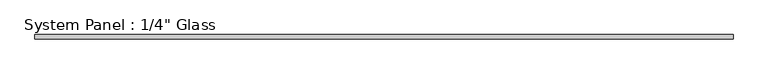
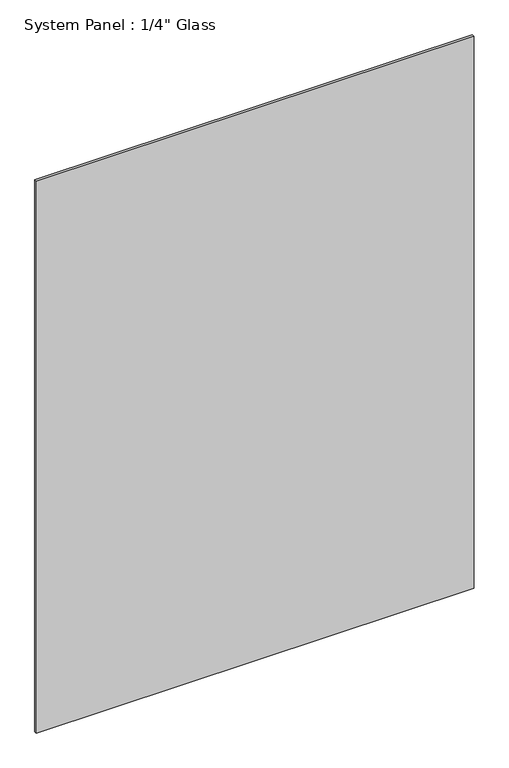
"""IFC4 building model written with IfcOpenShell, lengths in millimetres: plate geometry."""

import ifcopenshell
import ifcopenshell.guid

model = None  # the IFC model being written
_history = None  # IfcOwnerHistory: only IFC2X3 demands one
_inside = {}  # id of a spatial element -> (the spatial element, [elements in it])
_under = {}  # id of a project, library or spatial element -> (it, [spatial elements below it])
_declared = {}  # id of a project -> (the project, [libraries it declares])
_typed = {}  # id of a type object -> (the type object, [elements of that type])
_made_of = {}  # id of a material, layer set ... -> (it, [elements and type objects made of it])


def new_model(schema):
    """Start an empty IFC model of exactly this schema.

    Asked for "IFC4X3", IfcOpenShell would pick the latest addendum, in which some entities
    have other attributes; the version numbers below select the first issue.
    IFC2X3 requires an IfcOwnerHistory on every rooted entity: one is made here for all.
    """
    global model, _history
    if schema == "IFC4X3":
        model = ifcopenshell.file(schema_version=(4, 3, 0, 0))
    else:
        model = ifcopenshell.file(schema=schema)
    _inside.clear()
    _under.clear()
    _declared.clear()
    _typed.clear()
    _made_of.clear()
    _history = None
    if model.schema == "IFC2X3":
        org = make("IfcOrganization", Name="unknown")
        user = make(
            "IfcPersonAndOrganization",
            ThePerson=make("IfcPerson", FamilyName="unknown"),
            TheOrganization=org,
        )
        app = make(
            "IfcApplication",
            ApplicationDeveloper=org,
            Version="unknown",
            ApplicationFullName="unknown",
            ApplicationIdentifier="unknown",
        )
        _history = make(
            "IfcOwnerHistory",
            OwningUser=user,
            OwningApplication=app,
            ChangeAction="ADDED",
            CreationDate=0,
        )
    return model


def make(cls, **values):
    """One entity of the class cls with the attributes given. An attribute that is None is left unset."""
    return model.create_entity(
        cls, **{name: value for name, value in values.items() if value is not None}
    )


def rooted(cls, **values):
    """An entity with a GlobalId (a new one), such as an element, a storey or a relation."""
    return make(cls, GlobalId=ifcopenshell.guid.new(), OwnerHistory=_history, **values)


def si_unit(unit_type, name, prefix=None):
    """IfcSIUnit, for example si_unit("LENGTHUNIT", "METRE", prefix="MILLI")."""
    return make("IfcSIUnit", UnitType=unit_type, Prefix=prefix, Name=name)


def assignment(units):
    """IfcUnitAssignment: the units of a project."""
    return None if units is None else make("IfcUnitAssignment", Units=units)


def point(xyz):
    """IfcCartesianPoint."""
    return None if xyz is None else make("IfcCartesianPoint", Coordinates=xyz)


def direction(xyz):
    """IfcDirection."""
    return None if xyz is None else make("IfcDirection", DirectionRatios=xyz)


def frame(location, z_axis=None, x_axis=None):
    """IfcAxis2Placement3D, a coordinate frame: its origin and axes. An axis left out is left unset."""
    return make(
        "IfcAxis2Placement3D",
        Location=point(location),
        Axis=direction(z_axis),
        RefDirection=direction(x_axis),
    )


def origin():
    """The frame at (0, 0, 0) with its axes left unset."""
    return frame((0.0, 0.0, 0.0))


def origin_with_axes():
    """The frame at (0, 0, 0) with the z axis (0, 0, 1) and the x axis (1, 0, 0) written out."""
    return frame((0.0, 0.0, 0.0), z_axis=(0.0, 0.0, 1.0), x_axis=(1.0, 0.0, 0.0))


def place(relative_to, where):
    """IfcLocalPlacement: puts the frame where relative to a parent placement (None: the world)."""
    return make(
        "IfcLocalPlacement", PlacementRelTo=relative_to, RelativePlacement=where
    )


def context(
    kind, dimensions, precision=None, world=None, true_north=None, identifier=None
):
    """IfcGeometricRepresentationContext, for example the 3D "Model" context."""
    return make(
        "IfcGeometricRepresentationContext",
        ContextIdentifier=identifier,
        ContextType=kind,
        CoordinateSpaceDimension=dimensions,
        Precision=precision,
        WorldCoordinateSystem=world,
        TrueNorth=true_north,
    )


def project(units=None, contexts=None):
    """IfcProject with its units and contexts."""
    return rooted(
        "IfcProject",
        Name="project",
        RepresentationContexts=contexts,
        UnitsInContext=assignment(units),
    )


def spatial(cls, under=None, at=None, **own):
    """A site, building, storey or space (cls), placed at a placement, below another one or the project."""
    s = rooted(cls, ObjectPlacement=at, **own)
    if under is not None:
        _under.setdefault(under.id(), (under, []))[1].append(s)
    return s


def polyline(points):
    """IfcPolyline through the points."""
    return make("IfcPolyline", Points=[point(p) for p in points])


def outline(outer, holes=None, kind="AREA"):
    """IfcArbitraryClosedProfileDef: a profile drawn as a closed curve; with holes, ...WithVoids."""
    if holes is None:
        return make("IfcArbitraryClosedProfileDef", ProfileType=kind, OuterCurve=outer)
    return make(
        "IfcArbitraryProfileDefWithVoids",
        ProfileType=kind,
        OuterCurve=outer,
        InnerCurves=holes,
    )


def extrude(swept, where, along, depth):
    """IfcExtrudedAreaSolid: the profile swept, set in the frame where, extruded along a direction by depth."""
    return make(
        "IfcExtrudedAreaSolid",
        SweptArea=swept,
        Position=where,
        ExtrudedDirection=direction(along),
        Depth=depth,
    )


def shape(context_of_items, identifier, shape_type, items):
    """IfcShapeRepresentation: the items that make up one representation, for example the "Body"."""
    return make(
        "IfcShapeRepresentation",
        ContextOfItems=context_of_items,
        RepresentationIdentifier=identifier,
        RepresentationType=shape_type,
        Items=items,
    )


def source(mapping_origin, context_of_items, identifier, shape_type, items):
    """IfcRepresentationMap: a shape defined once, which mapped items show again and again."""
    return make(
        "IfcRepresentationMap",
        MappingOrigin=mapping_origin,
        MappedRepresentation=shape(context_of_items, identifier, shape_type, items),
    )


def transform(
    local_origin,
    x_axis=None,
    y_axis=None,
    z_axis=None,
    scale=None,
    scale2=None,
    scale3=None,
    uniform=True,
):
    """IfcCartesianTransformationOperator3D, or its non-uniform kind. x_axis, y_axis, z_axis: its Axis1, 2, 3."""
    if uniform:
        return make(
            "IfcCartesianTransformationOperator3D",
            Axis1=direction(x_axis),
            Axis2=direction(y_axis),
            LocalOrigin=point(local_origin),
            Scale=scale,
            Axis3=direction(z_axis),
        )
    return make(
        "IfcCartesianTransformationOperator3DnonUniform",
        Axis1=direction(x_axis),
        Axis2=direction(y_axis),
        LocalOrigin=point(local_origin),
        Scale=scale,
        Axis3=direction(z_axis),
        Scale2=scale2,
        Scale3=scale3,
    )


def mapped(mapping_source, mapping_target):
    """IfcMappedItem: shows the shape of a source again, moved by a transform."""
    return make(
        "IfcMappedItem", MappingSource=mapping_source, MappingTarget=mapping_target
    )


def made_of(thing, what):
    """Note that an element or type object is made of a material, layer set ...; save() writes the relation."""
    if what is not None:
        _made_of.setdefault(what.id(), (what, []))[1].append(thing)
    return thing


def element(
    cls,
    number,
    at=None,
    inside=None,
    cuts=None,
    type_object=None,
    material=None,
    context=None,
    identifier="Body",
    shape_type=None,
    held_by="IfcProductDefinitionShape",
    body=None,
    shapes=None,
    **own,
):
    """One element of the class cls, such as IfcWall. Its Tag is "e" and its number.

    at: its placement. inside: the storey or other place that contains it. cuts: it is an
    opening in that element (IfcRelVoidsElement). A single representation is given by context,
    identifier, shape_type and body (its items); several are given by shapes. held_by: the class
    of the entity that holds the representations. save() writes the other relations.
    """
    e = rooted(cls, Tag="e%d" % number, ObjectPlacement=at, **own)
    if body is not None:
        shapes = [shape(context, identifier, shape_type, body)]
    if shapes is not None:
        e.Representation = make(held_by, Representations=shapes)
    if inside is not None:
        _inside.setdefault(inside.id(), (inside, []))[1].append(e)
    if cuts is not None:
        rooted(
            "IfcRelVoidsElement", RelatingBuildingElement=cuts, RelatedOpeningElement=e
        )
    if type_object is not None:
        _typed.setdefault(type_object.id(), (type_object, []))[1].append(e)
    return made_of(e, material)


def aggregate(whole, parts):
    """IfcRelAggregates: a whole, such as a stair, and the parts it consists of."""
    return rooted("IfcRelAggregates", RelatingObject=whole, RelatedObjects=parts)


def save(model, path):
    """Write the relations noted so far, then the file.

    IfcRelAggregates (storeys below a building ...), IfcRelContainedInSpatialStructure (elements
    in a storey), IfcRelDefinesByType, IfcRelAssociatesMaterial and IfcRelDeclares: one each for
    every whole, place, type object, material and project.
    """
    for whole, parts in _under.values():
        aggregate(whole, parts)
    for where, things in _inside.values():
        rooted(
            "IfcRelContainedInSpatialStructure",
            RelatedElements=things,
            RelatingStructure=where,
        )
    for kind, things in _typed.values():
        rooted("IfcRelDefinesByType", RelatedObjects=things, RelatingType=kind)
    for what, things in _made_of.values():
        rooted("IfcRelAssociatesMaterial", RelatedObjects=things, RelatingMaterial=what)
    for by, libraries in _declared.values():
        rooted("IfcRelDeclares", RelatingContext=by, RelatedDefinitions=libraries)
    model.write(path)


def plate_0f845875(model_context):
    return source(origin(), model_context, "Body", "SweptSolid", [
        extrude(outline(polyline([(538.95625, -3.175), (-538.95625, -3.175), (-538.95625, 3.175), (538.95625, 3.175), (538.95625, -3.175)])), origin_with_axes(), (0.0, 0.0, 1.0), 1435.1),
    ])


if __name__ == "__main__":
    model = new_model("IFC4")
    model_context = context("Model", 3, world=origin())
    ifc_project = project(units=[si_unit("LENGTHUNIT", "METRE", prefix="MILLI")], contexts=[model_context])
    site = spatial("IfcSite", under=ifc_project)
    building = spatial("IfcBuilding", under=site)
    placement = place(None, origin())
    plate_shape = plate_0f845875(model_context)
    element("IfcPlate", 1, ObjectType="System Panel : 1/4\" Glass", at=placement, inside=building, context=model_context, shape_type="MappedRepresentation", body=[
        mapped(plate_shape, transform((0.0, 0.0, 0.0), x_axis=(1.0, 0.0, 0.0), y_axis=(0.0, 1.0, 0.0), z_axis=(0.0, 0.0, 1.0))),
    ])
    save(model, "model.ifc")
